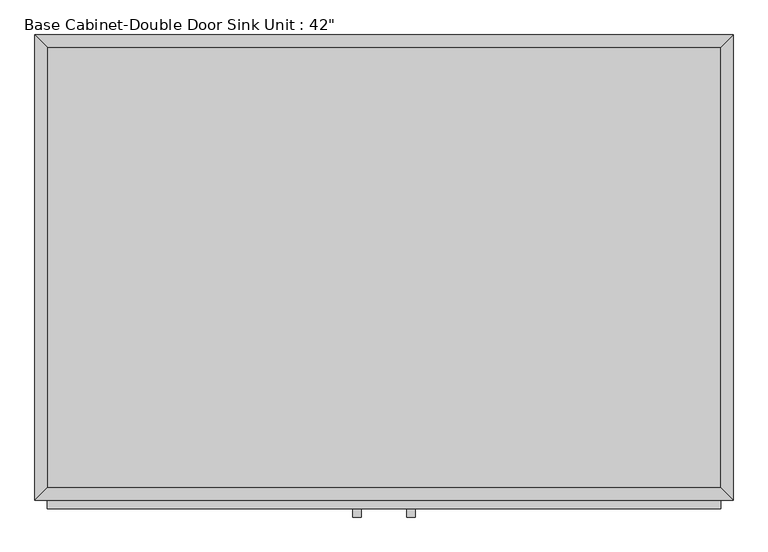
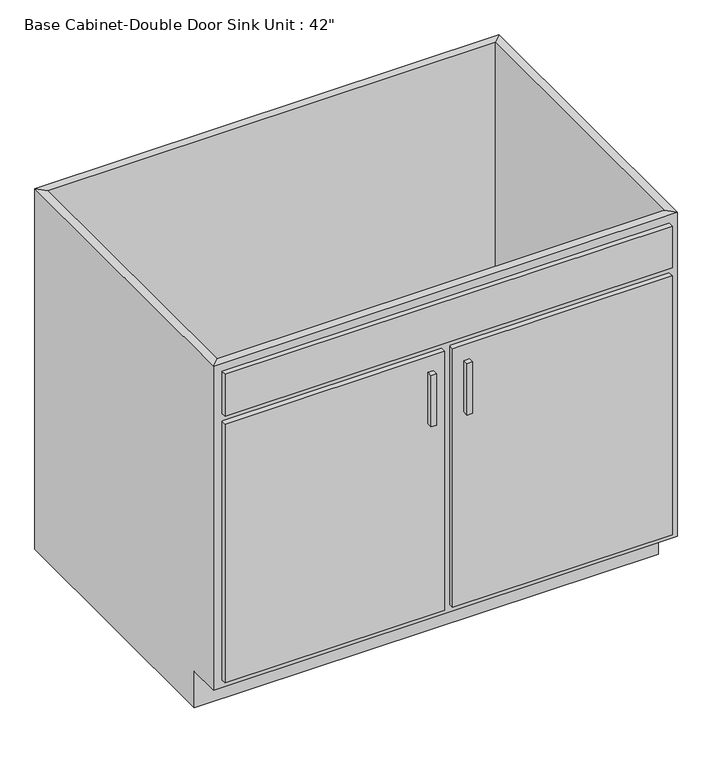
"""IFC4 building model written with IfcOpenShell, lengths in millimetres: furniture geometry."""

from ifc_helpers import new_model, si_unit, frame, origin, place, context, project, spatial, polyline, outline, extrude, faceted_brep, source, transform, mapped, element, save


def furniture_4624e8ac(model_context):
    return source(origin(), model_context, "Body", "SolidModel", [
        faceted_brep([(533.0877049, -692.15, 876.3), (533.0877049, -692.15, 88.9), (-495.6122951, -692.15, 88.9), (-495.6122951, -692.15, 876.3), (-514.6622951, -711.2, 876.3), (552.1377049, -711.2, 876.3), (-514.6622951, -711.2, 88.9), (552.1377049, -711.2, 88.9), (-495.6122951, -635.0, 88.9), (-495.6122951, -19.05, 88.9), (-495.6122951, -19.05, 876.3), (-514.6622951, 0.0, 876.3), (-514.6622951, 0.0, 0.0), (-514.6622951, -635.0, 0.0), (-514.6622951, -635.0, 88.9), (533.0877049, -19.05, 88.9), (533.0877049, -19.05, 876.3), (552.1377049, 0.0, 876.3), (552.1377049, 0.0, 0.0), (533.0877049, -635.0, 88.9), (552.1377049, -635.0, 88.9), (552.1377049, -635.0, 0.0)], [[[0, 1, 2, 3]], [[0, 3, 4, 5]], [[5, 4, 6, 7]], [[2, 1, 7, 6]], [[3, 2, 8, 9, 10]], [[4, 3, 10, 11]], [[6, 4, 11, 12, 13, 14]], [[2, 6, 14, 8]], [[10, 9, 15, 16]], [[11, 10, 16, 17]], [[12, 11, 17, 18]], [[1, 0, 16, 15, 19]], [[0, 5, 17, 16]], [[5, 7, 20, 21, 18, 17]], [[7, 1, 19, 20]], [[8, 19, 15, 9]], [[18, 21, 13, 12]], [[13, 21, 20, 19, 8, 14]]]),
        extrude(outline(polyline([(-16.1872951, -736.6), (-28.8872951, -736.6), (-28.8872951, -723.9), (-16.1872951, -723.9), (-16.1872951, -736.6)])), frame((0.0, 0.0, 573.769895), z_axis=(0.0, 0.0, 1.0), x_axis=(1.0, 0.0, 0.0)), (0.0, 0.0, 1.0), 124.730105),
        extrude(outline(polyline([(66.3627049, -736.6), (53.6627049, -736.6), (53.6627049, -723.9), (66.3627049, -723.9), (66.3627049, -736.6)])), frame((0.0, 0.0, 573.769895), z_axis=(0.0, 0.0, 1.0), x_axis=(1.0, 0.0, 0.0)), (0.0, 0.0, 1.0), 124.730105),
        extrude(outline(polyline([(533.0877049, -19.05), (533.0877049, -692.15), (-495.6122951, -692.15), (-495.6122951, -19.05), (533.0877049, -19.05)])), frame((0.0, 0.0, 88.9), z_axis=(0.0, 0.0, 1.0), x_axis=(1.0, 0.0, 0.0)), (0.0, 0.0, 1.0), 19.05),
        extrude(outline(polyline([(9.2127049, -723.9), (-495.6122951, -723.9), (-495.6122951, -711.2), (9.2127049, -711.2), (9.2127049, -723.9)])), frame((0.0, 0.0, 107.95), z_axis=(0.0, 0.0, 1.0), x_axis=(1.0, 0.0, 0.0)), (0.0, 0.0, 1.0), 628.65),
        extrude(outline(polyline([(533.0877049, -723.9), (28.2627049, -723.9), (28.2627049, -711.2), (533.0877049, -711.2), (533.0877049, -723.9)])), frame((0.0, 0.0, 107.95), z_axis=(0.0, 0.0, 1.0), x_axis=(1.0, 0.0, 0.0)), (0.0, 0.0, 1.0), 628.65),
        extrude(outline(polyline([(533.0877049, -723.9), (-495.6122951, -723.9), (-495.6122951, -711.2), (533.0877049, -711.2), (533.0877049, -723.9)])), frame((0.0, 0.0, 755.65), z_axis=(0.0, 0.0, 1.0), x_axis=(1.0, 0.0, 0.0)), (0.0, 0.0, 1.0), 101.6),
    ])


if __name__ == "__main__":
    model = new_model("IFC4")
    model_context = context("Model", 3, world=origin())
    ifc_project = project(units=[si_unit("LENGTHUNIT", "METRE", prefix="MILLI")], contexts=[model_context])
    site = spatial("IfcSite", under=ifc_project)
    building = spatial("IfcBuilding", under=site)
    placement = place(None, origin())
    furniture_shape = furniture_4624e8ac(model_context)
    element("IfcFurniture", 1, ObjectType="Base Cabinet-Double Door Sink Unit : 42\"", at=placement, inside=building, context=model_context, shape_type="MappedRepresentation", body=[
        mapped(furniture_shape, transform((0.0, 0.0, 0.0), x_axis=(1.0, 0.0, 0.0), y_axis=(0.0, 1.0, 0.0), z_axis=(0.0, 0.0, 1.0))),
    ])
    save(model, "model.ifc")
